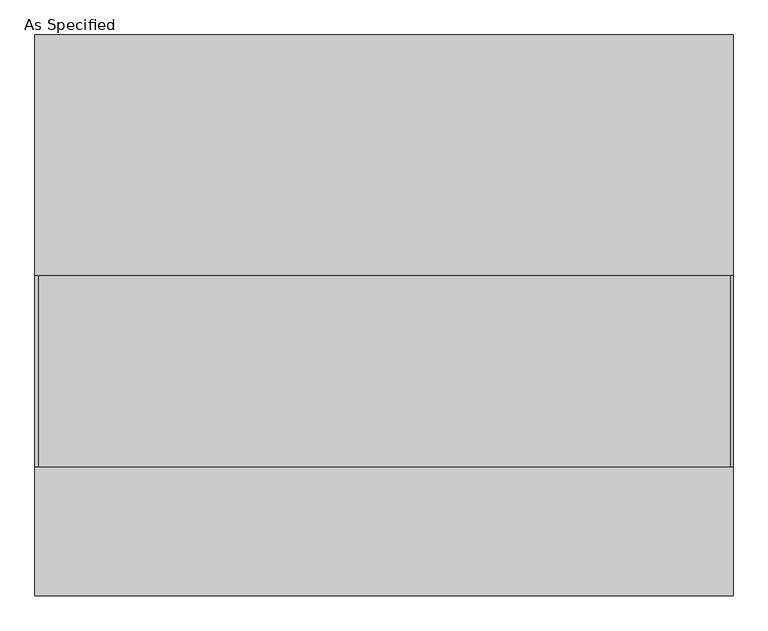
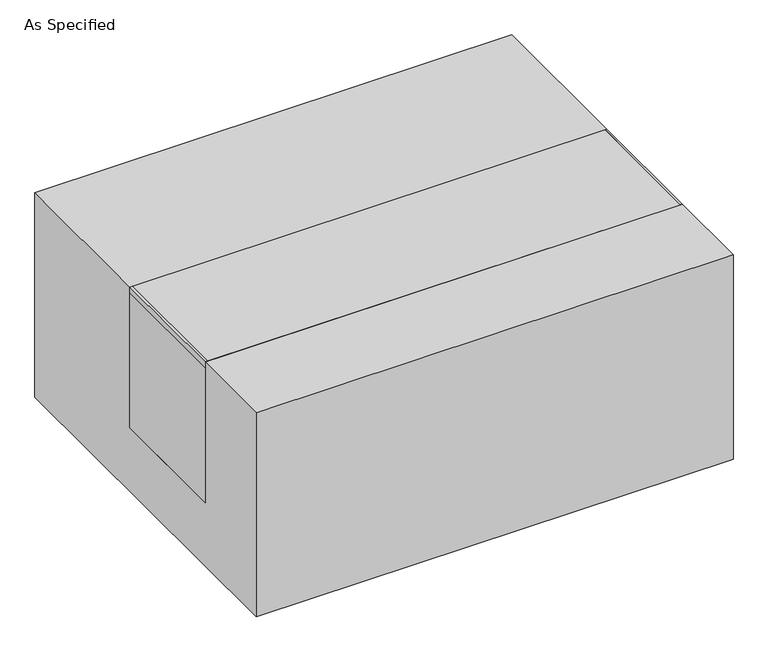
"""IFC4 building model written with IfcOpenShell, lengths in millimetres: proxy geometry, As Specified."""

from ifc_helpers import new_model, si_unit, point, frame, frame_2d, origin, place, context, project, spatial, polyline, circle_curve, trimmed, segment, composite_curve, outline, extrude, source, transform, mapped, element, save


def as_specified_41e3f3b3(model_context):
    return source(origin(), model_context, "Body", "SweptSolid", [
        extrude(outline(composite_curve([segment(trimmed(circle_curve(frame_2d((237.2125, -397.675)), 10.5), [point((237.2125, -408.175))], [point((237.2125, -387.175))], False, "CARTESIAN"), True, "CONTINUOUS"), segment(trimmed(circle_curve(frame_2d((237.2125, -397.675)), 10.5), [point((237.2125, -387.175))], [point((237.2125, -408.175))], False, "CARTESIAN"), True, "CONTINUOUS")], self_intersect=False)), frame((0.0, 0.0, -562.225), z_axis=(0.0, 0.0, 1.0), x_axis=(1.0, 0.0, 0.0)), (0.0, 0.0, 1.0), 32.0),
        extrude(outline(polyline([(-551.65625, -241.3), (-557.2125, -241.3), (-557.2125, 63.5), (-551.65625, 63.5), (-551.65625, -241.3)])), frame((0.0, 0.0, -39.6875), z_axis=(0.0, 0.0, 1.0), x_axis=(1.0, 0.0, 0.0)), (0.0, 0.0, 1.0), 14.2875),
        extrude(outline(polyline([(553.24375, 63.5), (557.2125, 63.5), (557.2125, -241.3), (553.24375, -241.3), (553.24375, 63.5)])), frame((0.0, 0.0, -39.6875), z_axis=(0.0, 0.0, 1.0), x_axis=(1.0, 0.0, 0.0)), (0.0, 0.0, 1.0), 14.2875),
        extrude(outline(polyline([(557.2125, 63.5), (557.2125, -241.3), (-557.2125, -241.3), (-557.2125, 63.5), (557.2125, 63.5)])), frame((0.0, 0.0, -373.0625), z_axis=(0.0, 0.0, 1.0), x_axis=(1.0, 0.0, 0.0)), (0.0, 0.0, 1.0), 347.6625),
        extrude(outline(polyline([(447.675, -25.4), (447.675, -530.225), (-447.675, -530.225), (-447.675, -25.4), (-241.3, -25.4), (-241.3, -373.0625), (63.5, -373.0625), (63.5, -25.4), (447.675, -25.4)])), frame((-557.2125, 0.0, 0.0), z_axis=(1.0, 0.0, 0.0), x_axis=(0.0, 1.0, 0.0)), (0.0, 0.0, 1.0), 1114.425),
    ])


if __name__ == "__main__":
    model = new_model("IFC4")
    model_context = context("Model", 3, world=origin())
    ifc_project = project(units=[si_unit("LENGTHUNIT", "METRE", prefix="MILLI")], contexts=[model_context])
    site = spatial("IfcSite", under=ifc_project)
    building = spatial("IfcBuilding", under=site)
    placement = place(None, origin())
    as_specified_shape = as_specified_41e3f3b3(model_context)
    element("IfcBuildingElementProxy", 1, Name="As Specified", ObjectType="As Specified", at=placement, inside=building, context=model_context, shape_type="MappedRepresentation", body=[
        mapped(as_specified_shape, transform((0.0, 0.0, 0.0), x_axis=(1.0, 0.0, 0.0), y_axis=(0.0, 1.0, 0.0), z_axis=(0.0, 0.0, 1.0))),
    ])
    save(model, "model.ifc")
